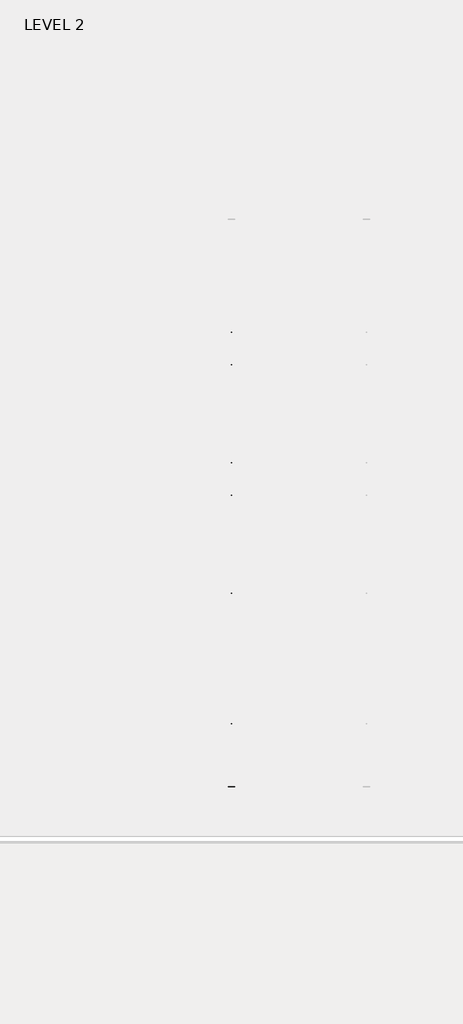
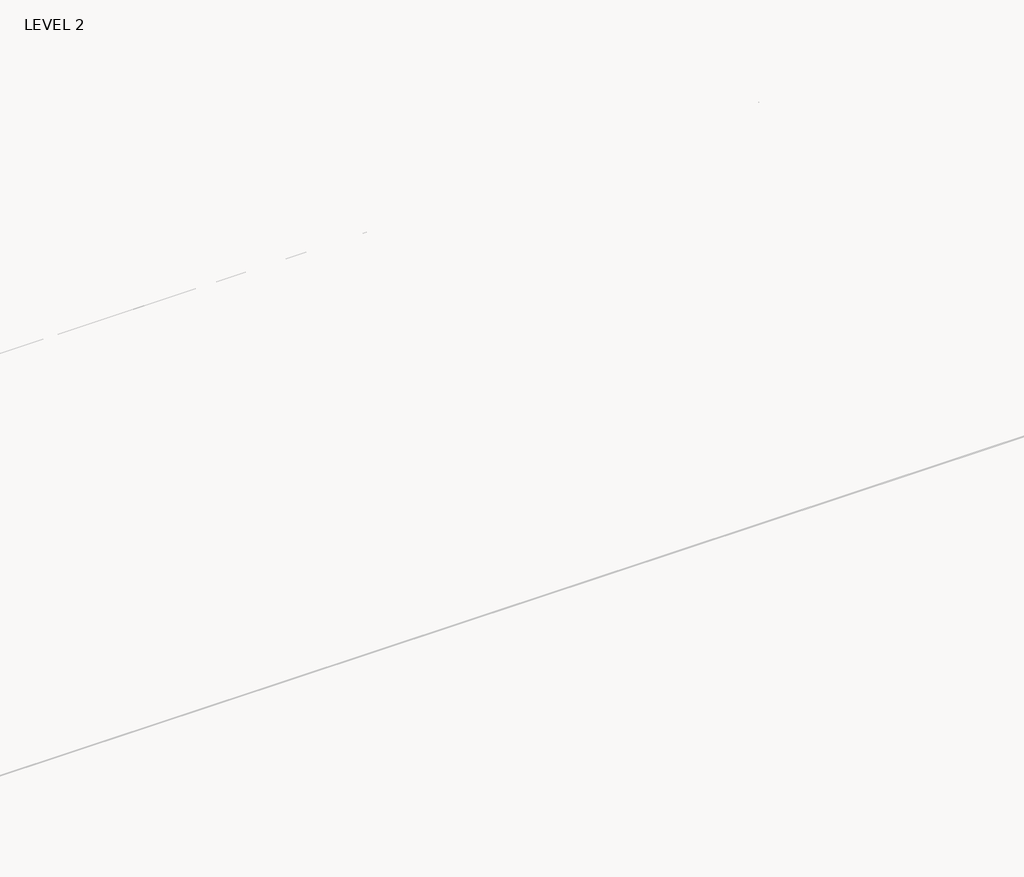
# One storey, part 20 of 67: 1 beam.
"""IFC4 building model written with IfcOpenShell, lengths in millimetres."""

import ifcopenshell
import ifcopenshell.guid

model = None  # the IFC model being written
_history = None  # IfcOwnerHistory: only IFC2X3 demands one
_inside = {}  # id of a spatial element -> (the spatial element, [elements in it])
_under = {}  # id of a project, library or spatial element -> (it, [spatial elements below it])
_declared = {}  # id of a project -> (the project, [libraries it declares])
_typed = {}  # id of a type object -> (the type object, [elements of that type])
_made_of = {}  # id of a material, layer set ... -> (it, [elements and type objects made of it])


def new_model(schema):
    """Start an empty IFC model of exactly this schema.

    Asked for "IFC4X3", IfcOpenShell would pick the latest addendum, in which some entities
    have other attributes; the version numbers below select the first issue.
    IFC2X3 requires an IfcOwnerHistory on every rooted entity: one is made here for all.
    """
    global model, _history
    if schema == "IFC4X3":
        model = ifcopenshell.file(schema_version=(4, 3, 0, 0))
    else:
        model = ifcopenshell.file(schema=schema)
    _inside.clear()
    _under.clear()
    _declared.clear()
    _typed.clear()
    _made_of.clear()
    _history = None
    if model.schema == "IFC2X3":
        org = make("IfcOrganization", Name="unknown")
        user = make(
            "IfcPersonAndOrganization",
            ThePerson=make("IfcPerson", FamilyName="unknown"),
            TheOrganization=org,
        )
        app = make(
            "IfcApplication",
            ApplicationDeveloper=org,
            Version="unknown",
            ApplicationFullName="unknown",
            ApplicationIdentifier="unknown",
        )
        _history = make(
            "IfcOwnerHistory",
            OwningUser=user,
            OwningApplication=app,
            ChangeAction="ADDED",
            CreationDate=0,
        )
    return model


def make(cls, **values):
    """One entity of the class cls with the attributes given. An attribute that is None is left unset."""
    return model.create_entity(
        cls, **{name: value for name, value in values.items() if value is not None}
    )


def rooted(cls, **values):
    """An entity with a GlobalId (a new one), such as an element, a storey or a relation."""
    return make(cls, GlobalId=ifcopenshell.guid.new(), OwnerHistory=_history, **values)


def si_unit(unit_type, name, prefix=None):
    """IfcSIUnit, for example si_unit("LENGTHUNIT", "METRE", prefix="MILLI")."""
    return make("IfcSIUnit", UnitType=unit_type, Prefix=prefix, Name=name)


def assignment(units):
    """IfcUnitAssignment: the units of a project."""
    return None if units is None else make("IfcUnitAssignment", Units=units)


def point(xyz):
    """IfcCartesianPoint."""
    return None if xyz is None else make("IfcCartesianPoint", Coordinates=xyz)


def direction(xyz):
    """IfcDirection."""
    return None if xyz is None else make("IfcDirection", DirectionRatios=xyz)


def frame(location, z_axis=None, x_axis=None):
    """IfcAxis2Placement3D, a coordinate frame: its origin and axes. An axis left out is left unset."""
    return make(
        "IfcAxis2Placement3D",
        Location=point(location),
        Axis=direction(z_axis),
        RefDirection=direction(x_axis),
    )


def origin():
    """The frame at (0, 0, 0) with its axes left unset."""
    return frame((0.0, 0.0, 0.0))


def place(relative_to, where):
    """IfcLocalPlacement: puts the frame where relative to a parent placement (None: the world)."""
    return make(
        "IfcLocalPlacement", PlacementRelTo=relative_to, RelativePlacement=where
    )


def context(
    kind, dimensions, precision=None, world=None, true_north=None, identifier=None
):
    """IfcGeometricRepresentationContext, for example the 3D "Model" context."""
    return make(
        "IfcGeometricRepresentationContext",
        ContextIdentifier=identifier,
        ContextType=kind,
        CoordinateSpaceDimension=dimensions,
        Precision=precision,
        WorldCoordinateSystem=world,
        TrueNorth=true_north,
    )


def project(units=None, contexts=None):
    """IfcProject with its units and contexts."""
    return rooted(
        "IfcProject",
        Name="project",
        RepresentationContexts=contexts,
        UnitsInContext=assignment(units),
    )


def spatial(cls, under=None, at=None, **own):
    """A site, building, storey or space (cls), placed at a placement, below another one or the project."""
    s = rooted(cls, ObjectPlacement=at, **own)
    if under is not None:
        _under.setdefault(under.id(), (under, []))[1].append(s)
    return s


def polyline(points):
    """IfcPolyline through the points."""
    return make("IfcPolyline", Points=[point(p) for p in points])


def outline(outer, holes=None, kind="AREA"):
    """IfcArbitraryClosedProfileDef: a profile drawn as a closed curve; with holes, ...WithVoids."""
    if holes is None:
        return make("IfcArbitraryClosedProfileDef", ProfileType=kind, OuterCurve=outer)
    return make(
        "IfcArbitraryProfileDefWithVoids",
        ProfileType=kind,
        OuterCurve=outer,
        InnerCurves=holes,
    )


def extrude(swept, where, along, depth):
    """IfcExtrudedAreaSolid: the profile swept, set in the frame where, extruded along a direction by depth."""
    return make(
        "IfcExtrudedAreaSolid",
        SweptArea=swept,
        Position=where,
        ExtrudedDirection=direction(along),
        Depth=depth,
    )


def faces_of(points, faces, orient=None, outer=None):
    """IfcFace entities. A face is a list of loops; a loop is a list of indices into points, from 0.

    orient and outer hold one flag for each loop. By default every Orientation is true, the
    first loop of a face is its IfcFaceOuterBound and the others are IfcFaceBound.
    """
    made = []
    for i, loops in enumerate(faces):
        bounds = []
        for j, loop in enumerate(loops):
            is_outer = j == 0 if outer is None else outer[i][j]
            bounds.append(
                make(
                    "IfcFaceOuterBound" if is_outer else "IfcFaceBound",
                    Bound=make("IfcPolyLoop", Polygon=[points[k] for k in loop]),
                    Orientation=True if orient is None else orient[i][j],
                )
            )
        made.append(make("IfcFace", Bounds=bounds))
    return made


def faceted_brep(points, faces, orient=None, outer=None, voids=None):
    """IfcFacetedBrep: a solid bounded by flat faces; with voids (closed shells), ...WithVoids."""
    shared = [point(p) for p in points]
    hull = make("IfcClosedShell", CfsFaces=faces_of(shared, faces, orient, outer))
    if voids is None:
        return make("IfcFacetedBrep", Outer=hull)
    return make(
        "IfcFacetedBrepWithVoids",
        Outer=hull,
        Voids=[
            make(cls, CfsFaces=faces_of(shared, fs, o, b)) for cls, fs, o, b in voids
        ],
    )


def shape(context_of_items, identifier, shape_type, items):
    """IfcShapeRepresentation: the items that make up one representation, for example the "Body"."""
    return make(
        "IfcShapeRepresentation",
        ContextOfItems=context_of_items,
        RepresentationIdentifier=identifier,
        RepresentationType=shape_type,
        Items=items,
    )


def made_of(thing, what):
    """Note that an element or type object is made of a material, layer set ...; save() writes the relation."""
    if what is not None:
        _made_of.setdefault(what.id(), (what, []))[1].append(thing)
    return thing


def element(
    cls,
    number,
    at=None,
    inside=None,
    cuts=None,
    type_object=None,
    material=None,
    context=None,
    identifier="Body",
    shape_type=None,
    held_by="IfcProductDefinitionShape",
    body=None,
    shapes=None,
    **own,
):
    """One element of the class cls, such as IfcWall. Its Tag is "e" and its number.

    at: its placement. inside: the storey or other place that contains it. cuts: it is an
    opening in that element (IfcRelVoidsElement). A single representation is given by context,
    identifier, shape_type and body (its items); several are given by shapes. held_by: the class
    of the entity that holds the representations. save() writes the other relations.
    """
    e = rooted(cls, Tag="e%d" % number, ObjectPlacement=at, **own)
    if body is not None:
        shapes = [shape(context, identifier, shape_type, body)]
    if shapes is not None:
        e.Representation = make(held_by, Representations=shapes)
    if inside is not None:
        _inside.setdefault(inside.id(), (inside, []))[1].append(e)
    if cuts is not None:
        rooted(
            "IfcRelVoidsElement", RelatingBuildingElement=cuts, RelatedOpeningElement=e
        )
    if type_object is not None:
        _typed.setdefault(type_object.id(), (type_object, []))[1].append(e)
    return made_of(e, material)


def aggregate(whole, parts):
    """IfcRelAggregates: a whole, such as a stair, and the parts it consists of."""
    return rooted("IfcRelAggregates", RelatingObject=whole, RelatedObjects=parts)


def save(model, path):
    """Write the relations noted so far, then the file.

    IfcRelAggregates (storeys below a building ...), IfcRelContainedInSpatialStructure (elements
    in a storey), IfcRelDefinesByType, IfcRelAssociatesMaterial and IfcRelDeclares: one each for
    every whole, place, type object, material and project.
    """
    for whole, parts in _under.values():
        aggregate(whole, parts)
    for where, things in _inside.values():
        rooted(
            "IfcRelContainedInSpatialStructure",
            RelatedElements=things,
            RelatingStructure=where,
        )
    for kind, things in _typed.values():
        rooted("IfcRelDefinesByType", RelatedObjects=things, RelatingType=kind)
    for what, things in _made_of.values():
        rooted("IfcRelAssociatesMaterial", RelatedObjects=things, RelatingMaterial=what)
    for by, libraries in _declared.values():
        rooted("IfcRelDeclares", RelatingContext=by, RelatedDefinitions=libraries)
    model.write(path)


model = new_model("IFC4")

# Units and contexts
model_context = context("Model", 3, world=origin())
ifc_project = project(units=[si_unit("LENGTHUNIT", "METRE", prefix="MILLI")], contexts=[model_context])

# Site, building, storey
site = spatial("IfcSite", under=ifc_project)
building = spatial("IfcBuilding", under=site)
storey = spatial("IfcBuildingStorey", under=building, Name="LEVEL 2", Elevation=6908.8)

# Beam
placement = place(None, origin())
element("IfcBeam", 1, ObjectType="K-Series Bar Joist-Angle Web : 12K3", at=placement, inside=storey, context=model_context, shape_type="SolidModel", body=[
    extrude(outline(polyline([(0.0, -9.525), (0.0, 0.0), (573.7533355, 0.0), (573.7533355, -9.525), (0.0, -9.525)])), frame((20271.3014942, -8384.1766652, 6274.5591445), z_axis=(0.0, -0.4795399588502021, 0.8775200441391334), x_axis=(0.0, -0.8775200441391334, -0.4795399588502021)), (0.0, 0.0, 1.0), 9.525),
    extrude(outline(polyline([(0.0, -9.525), (0.0, 0.0), (573.7533355, 0.0), (573.7533355, -9.525), (0.0, -9.525)])), frame((20261.7764942, -14434.5495942, 6173.6090819), z_axis=(0.0, 0.44999846244188924, 0.8930293297534722), x_axis=(0.0, 0.8930293297534722, -0.44999846244188924)), (0.0, 0.0, 1.0), 9.525),
    extrude(outline(polyline([(4.7625, 4.7625), (4.7625, -4.7625), (-4.7625, -4.7625), (-4.7625, 4.7625), (4.7625, 4.7625)])), frame((20266.5389942, -8889.9405266, 6003.6006828), z_axis=(0.0, 0.5448081033822876, 0.8385607494326185), x_axis=(-1.0, 0.0, 0.0)), (0.0, 0.0, 1.0), 321.5751107),
    extrude(outline(polyline([(4.7625, 4.7625), (4.7625, -4.7625), (-4.7625, -4.7625), (-4.7625, 4.7625), (4.7625, 4.7625)])), frame((20266.5389942, -13920.0279199, 5919.6740153), z_axis=(0.0, -0.572479723654856, 0.8199188776970925), x_axis=(-1.0, 0.0, 0.0)), (0.0, 0.0, 1.0), 321.5751107),
    extrude(outline(polyline([(0.0, 0.0), (31.75, 0.0), (31.75, -6.35), (6.35, -6.35), (6.35, -31.75), (0.0, -31.75), (0.0, 0.0)])), frame((20271.3014942, -14021.5078462, 5911.6299458), z_axis=(0.0, 0.9998608355728424, 0.01668261033464117), x_axis=(1.0, 0.0, 0.0)), (0.0, 0.0, 1.0), 5233.9875),
    extrude(outline(polyline([(-9.525, 0.0), (-9.525, -31.75), (-15.875, -31.75), (-15.875, -6.35), (-41.275, -6.35), (-41.275, 0.0), (-9.525, 0.0)])), frame((20271.3014942, -14021.5078462, 5911.6299458), z_axis=(0.0, 0.9998608355728424, 0.01668261033464117), x_axis=(1.0, 0.0, 0.0)), (0.0, 0.0, 1.0), 5233.9875),
    extrude(outline(polyline([(-31.75, 0.0), (0.0, 0.0), (0.0, -6.35), (-25.4, -6.35), (-25.4, -31.75), (-31.75, -31.75), (-31.75, 0.0)])), frame((20303.0514942, -14533.4626646, 6144.4215994), z_axis=(0.0, 0.9998608355728424, 0.01668261033464117), x_axis=(1.0, 0.0, 0.0)), (0.0, 0.0, 1.0), 101.6),
    extrude(outline(polyline([(-41.275, 0.0), (-41.275, -31.75), (-47.625, -31.75), (-47.625, -6.35), (-73.025, -6.35), (-73.025, 0.0), (-41.275, 0.0)])), frame((20303.0514942, -14533.4626646, 6144.4215994), z_axis=(0.0, 0.9998608355728424, 0.01668261033464117), x_axis=(1.0, 0.0, 0.0)), (0.0, 0.0, 1.0), 101.6),
    extrude(outline(polyline([(0.0, 0.0), (31.75, 0.0), (31.75, -6.35), (6.35, -6.35), (6.35, -31.75), (0.0, -31.75), (0.0, 0.0)])), frame((20261.7764942, -8385.9308014, 6246.9927522), z_axis=(0.0, 0.9998608355728424, 0.01668261033464117), x_axis=(0.0, -0.01668261033464117, 0.9998608355728424)), (0.0, 0.0, 1.0), 101.6),
    extrude(outline(polyline([(0.0, 41.275), (6.35, 41.275), (6.35, 15.875), (31.75, 15.875), (31.75, 9.525), (0.0, 9.525), (0.0, 41.275)])), frame((20261.7764942, -8385.9308014, 6246.9927522), z_axis=(0.0, 0.9998608355728424, 0.01668261033464117), x_axis=(0.0, -0.01668261033464117, 0.9998608355728424)), (0.0, 0.0, 1.0), 101.6),
    extrude(outline(polyline([(0.0, 0.0), (31.75, 0.0), (31.75, -6.35), (6.35, -6.35), (6.35, -31.75), (0.0, -31.75), (0.0, 0.0)])), frame((20271.3014942, -14534.5220103, 6207.9127624), z_axis=(0.0, 0.9998608355728424, 0.01668261033464117), x_axis=(0.0, 0.01668261033464117, -0.9998608355728424)), (0.0, 0.0, 1.0), 6249.9875),
    extrude(outline(polyline([(0.0, 9.525), (0.0, 41.275), (6.35, 41.275), (6.35, 15.875), (31.75, 15.875), (31.75, 9.525), (0.0, 9.525)])), frame((20271.3014942, -14534.5220103, 6207.9127624), z_axis=(0.0, 0.9998608355728424, 0.01668261033464117), x_axis=(0.0, 0.01668261033464117, -0.9998608355728424)), (0.0, 0.0, 1.0), 6249.9875),
    faceted_brep([(20266.5389942, -8890.205363, 6019.4734736), (20266.5389942, -8889.8875593, 6000.4261247), (20261.7764942, -8889.8875593, 6000.4261247), (20261.7764942, -8890.205363, 6019.4734736), (20266.5389942, -8891.1511777, 6019.4576927), (20266.5389942, -9062.7600447, 6296.0332984), (20266.5389942, -9080.861579, 6295.7312755), (20266.5389942, -9080.5437753, 6276.6839266), (20266.5389942, -9073.2488443, 6276.805642), (20266.5389942, -8901.6399772, 6000.2300364), (20261.7764942, -8901.6399772, 6000.2300364), (20261.7764942, -8923.0910856, 6034.8019871), (20261.7764942, -8919.0442892, 6037.3129321), (20261.7764942, -9059.4515441, 6263.602064), (20261.7764942, -9063.4983405, 6261.091119), (20261.7764942, -9073.2488443, 6276.805642), (20261.7764942, -9080.5437753, 6276.6839266), (20261.7764942, -9080.861579, 6295.7312755), (20261.7764942, -9062.7600447, 6296.0332984), (20261.7764942, -8891.1511777, 6019.4576927), (20249.0764942, -9063.4983405, 6261.091119), (20249.0764942, -8923.0910856, 6034.8019871), (20249.0764942, -8919.0442892, 6037.3129321), (20249.0764942, -9059.4515441, 6263.602064)], [[[0, 1, 2, 3]], [[1, 0, 4, 5, 6, 7, 8, 9]], [[2, 1, 9, 10]], [[3, 2, 10, 11, 12, 13, 14, 15, 16, 17, 18, 19]], [[0, 3, 19, 4]], [[9, 8, 15, 14, 20, 21, 11, 10]], [[5, 4, 19, 18]], [[7, 6, 17, 16]], [[8, 7, 16, 15]], [[6, 5, 18, 17]], [[21, 22, 12, 11]], [[20, 14, 13, 23]], [[22, 21, 20, 23]], [[12, 22, 23, 13]]]),
    extrude(outline(polyline([(-9249.179516, 5994.4313627), (-9249.4973197, 6013.4787116), (-9248.551505, 6013.4944925), (-9086.2648806, 6295.6411218), (-9068.1633464, 6295.9431446), (-9067.8455427, 6276.8957957), (-9075.1404736, 6276.7740803), (-9237.427098, 5994.627451), (-9249.179516, 5994.4313627)])), frame((20266.5389942, 0.0, 0.0), z_axis=(1.0, 0.0, 0.0), x_axis=(0.0, 1.0, 0.0)), (0.0, 0.0, 1.0), 4.7625),
    extrude(outline(polyline([(-4.7625, 4.7624999), (-4.7625, 0.0), (-17.4625, 0.0), (-17.4625, 4.7624999), (-4.7625, 4.7624999)])), frame((20266.5389942, -9217.14127, 6029.8957797), z_axis=(0.0, 0.4985919043415109, 0.8668368433131496), x_axis=(-1.0, 0.0, 0.0)), (0.0, 0.0, 1.0), 266.3099105),
    faceted_brep([(20266.5389942, -13561.0007997, 5941.541568), (20266.5389942, -13560.682996, 5922.4942191), (20261.7764942, -13560.682996, 5922.4942191), (20261.7764942, -13561.0007997, 5941.541568), (20266.5389942, -13561.9466144, 5941.5257872), (20266.5389942, -13733.5554814, 6218.1013928), (20266.5389942, -13751.6570157, 6217.7993699), (20266.5389942, -13751.3392119, 6198.752021), (20266.5389942, -13744.044281, 6198.8737364), (20266.5389942, -13572.4354139, 5922.2981308), (20261.7764942, -13572.4354139, 5922.2981308), (20261.7764942, -13593.8865223, 5956.8700815), (20261.7764942, -13589.8397259, 5959.3810266), (20261.7764942, -13730.2469807, 6185.6701584), (20261.7764942, -13734.2937772, 6183.1592134), (20261.7764942, -13744.044281, 6198.8737364), (20261.7764942, -13751.3392119, 6198.752021), (20261.7764942, -13751.6570157, 6217.7993699), (20261.7764942, -13733.5554814, 6218.1013928), (20261.7764942, -13561.9466144, 5941.5257872), (20249.0764942, -13734.2937772, 6183.1592134), (20249.0764942, -13593.8865223, 5956.8700815), (20249.0764942, -13589.8397259, 5959.3810266), (20249.0764942, -13730.2469807, 6185.6701584)], [[[0, 1, 2, 3]], [[1, 0, 4, 5, 6, 7, 8, 9]], [[2, 1, 9, 10]], [[3, 2, 10, 11, 12, 13, 14, 15, 16, 17, 18, 19]], [[0, 3, 19, 4]], [[9, 8, 15, 14, 20, 21, 11, 10]], [[5, 4, 19, 18]], [[7, 6, 17, 16]], [[8, 7, 16, 15]], [[6, 5, 18, 17]], [[21, 22, 12, 11]], [[20, 14, 13, 23]], [[22, 21, 20, 23]], [[12, 22, 23, 13]]]),
    extrude(outline(polyline([(-13919.9749526, 5916.4994571), (-13920.2927564, 5935.5468061), (-13919.3469417, 5935.5625869), (-13757.0603173, 6217.7092162), (-13738.9587831, 6218.0112391), (-13738.6409793, 6198.9638902), (-13745.9359103, 6198.8421747), (-13908.2225347, 5916.6955454), (-13919.9749526, 5916.4994571)])), frame((20266.5389942, 0.0, 0.0), z_axis=(1.0, 0.0, 0.0), x_axis=(0.0, 1.0, 0.0)), (0.0, 0.0, 1.0), 4.7625),
    extrude(outline(polyline([(-4.7625, 4.7625), (-4.7625, 0.0), (-17.4625, 0.0), (-17.4625, 4.7625), (-4.7625, 4.7625)])), frame((20266.5389942, -13887.9367066, 5951.9638741), z_axis=(0.0, 0.4985919043415109, 0.8668368433131496), x_axis=(-1.0, 0.0, 0.0)), (0.0, 0.0, 1.0), 266.3099105),
    faceted_brep([(20266.5389942, -9249.4973197, 6013.4787116), (20266.5389942, -9249.179516, 5994.4313627), (20261.7764942, -9249.179516, 5994.4313627), (20261.7764942, -9249.4973197, 6013.4787116), (20266.5389942, -9250.4431344, 6013.4629308), (20266.5389942, -9422.0520014, 6290.0385364), (20266.5389942, -9440.1535357, 6289.7365135), (20266.5389942, -9439.8357319, 6270.6891646), (20266.5389942, -9432.540801, 6270.81088), (20266.5389942, -9260.9319339, 5994.2352744), (20261.7764942, -9260.9319339, 5994.2352744), (20261.7764942, -9282.3830423, 6028.8072251), (20261.7764942, -9278.3362459, 6031.3181702), (20261.7764942, -9418.7435007, 6257.607302), (20261.7764942, -9422.7902972, 6255.096357), (20261.7764942, -9432.540801, 6270.81088), (20261.7764942, -9439.8357319, 6270.6891646), (20261.7764942, -9440.1535357, 6289.7365135), (20261.7764942, -9422.0520014, 6290.0385364), (20261.7764942, -9250.4431344, 6013.4629308), (20249.0764942, -9422.7902972, 6255.096357), (20249.0764942, -9282.3830423, 6028.8072251), (20249.0764942, -9278.3362459, 6031.3181702), (20249.0764942, -9418.7435007, 6257.607302)], [[[0, 1, 2, 3]], [[1, 0, 4, 5, 6, 7, 8, 9]], [[2, 1, 9, 10]], [[3, 2, 10, 11, 12, 13, 14, 15, 16, 17, 18, 19]], [[0, 3, 19, 4]], [[9, 8, 15, 14, 20, 21, 11, 10]], [[5, 4, 19, 18]], [[7, 6, 17, 16]], [[8, 7, 16, 15]], [[6, 5, 18, 17]], [[21, 22, 12, 11]], [[20, 14, 13, 23]], [[22, 21, 20, 23]], [[12, 22, 23, 13]]]),
    extrude(outline(polyline([(-9608.4714726, 5988.4366007), (-9608.7892764, 6007.4839497), (-9607.8434617, 6007.4997305), (-9445.5568373, 6289.6463598), (-9427.455303, 6289.9483827), (-9427.1374993, 6270.9010338), (-9434.4324303, 6270.7793183), (-9596.7190547, 5988.632689), (-9608.4714726, 5988.4366007)])), frame((20266.5389942, 0.0, 0.0), z_axis=(1.0, 0.0, 0.0), x_axis=(0.0, 1.0, 0.0)), (0.0, 0.0, 1.0), 4.7625),
    extrude(outline(polyline([(-4.7625, 4.7625), (-4.7625, 0.0), (-17.4625, 0.0), (-17.4625, 4.7625), (-4.7625, 4.7625)])), frame((20266.5389942, -9576.4332266, 6023.9010177), z_axis=(0.0, 0.4985919043415109, 0.8668368433131496), x_axis=(-1.0, 0.0, 0.0)), (0.0, 0.0, 1.0), 266.3099105),
    faceted_brep([(20266.5389942, -9608.7892764, 6007.4839497), (20266.5389942, -9608.4714726, 5988.4366007), (20261.7764942, -9608.4714726, 5988.4366007), (20261.7764942, -9608.7892764, 6007.4839497), (20266.5389942, -9609.735091, 6007.4681688), (20266.5389942, -9781.3439581, 6284.0437744), (20266.5389942, -9799.4454923, 6283.7417516), (20266.5389942, -9799.1276886, 6264.6944026), (20266.5389942, -9791.8327576, 6264.8161181), (20266.5389942, -9620.2238906, 5988.2405124), (20261.7764942, -9620.2238906, 5988.2405124), (20261.7764942, -9641.674999, 6022.8124632), (20261.7764942, -9637.6282026, 6025.3234082), (20261.7764942, -9778.0354574, 6251.6125401), (20261.7764942, -9782.0822538, 6249.101595), (20261.7764942, -9791.8327576, 6264.8161181), (20261.7764942, -9799.1276886, 6264.6944026), (20261.7764942, -9799.4454923, 6283.7417516), (20261.7764942, -9781.3439581, 6284.0437744), (20261.7764942, -9609.735091, 6007.4681688), (20249.0764942, -9782.0822538, 6249.101595), (20249.0764942, -9641.674999, 6022.8124632), (20249.0764942, -9637.6282026, 6025.3234082), (20249.0764942, -9778.0354574, 6251.6125401)], [[[0, 1, 2, 3]], [[1, 0, 4, 5, 6, 7, 8, 9]], [[2, 1, 9, 10]], [[3, 2, 10, 11, 12, 13, 14, 15, 16, 17, 18, 19]], [[0, 3, 19, 4]], [[9, 8, 15, 14, 20, 21, 11, 10]], [[5, 4, 19, 18]], [[7, 6, 17, 16]], [[8, 7, 16, 15]], [[6, 5, 18, 17]], [[21, 22, 12, 11]], [[20, 14, 13, 23]], [[22, 21, 20, 23]], [[12, 22, 23, 13]]]),
    extrude(outline(polyline([(-9967.7634293, 5982.4418388), (-9968.081233, 6001.4891877), (-9967.1354184, 6001.5049686), (-9804.848794, 6283.6515978), (-9786.7472597, 6283.9536207), (-9786.429456, 6264.9062718), (-9793.724387, 6264.7845564), (-9956.0110113, 5982.6379271), (-9967.7634293, 5982.4418388)])), frame((20266.5389942, 0.0, 0.0), z_axis=(1.0, 0.0, 0.0), x_axis=(0.0, 1.0, 0.0)), (0.0, 0.0, 1.0), 4.7625),
    extrude(outline(polyline([(-4.7625, 4.7625001), (-4.7625, 0.0), (-17.4625, 0.0), (-17.4625, 4.7625001), (-4.7625, 4.7625001)])), frame((20266.5389942, -9935.7251833, 6017.9062557), z_axis=(0.0, 0.4985919043415109, 0.8668368433131496), x_axis=(-1.0, 0.0, 0.0)), (0.0, 0.0, 1.0), 266.3099105),
    faceted_brep([(20266.5389942, -9968.081233, 6001.4891877), (20266.5389942, -9967.7634293, 5982.4418388), (20261.7764942, -9967.7634293, 5982.4418388), (20261.7764942, -9968.081233, 6001.4891877), (20266.5389942, -9969.0270477, 6001.4734068), (20266.5389942, -10140.6359147, 6278.0490125), (20266.5389942, -10158.737449, 6277.7469896), (20266.5389942, -10158.4196453, 6258.6996407), (20266.5389942, -10151.1247143, 6258.8213561), (20266.5389942, -9979.5158472, 5982.2457505), (20261.7764942, -9979.5158472, 5982.2457505), (20261.7764942, -10000.9669556, 6016.8177012), (20261.7764942, -9996.9201592, 6019.3286462), (20261.7764942, -10137.3274141, 6245.6177781), (20261.7764942, -10141.3742105, 6243.1068331), (20261.7764942, -10151.1247143, 6258.8213561), (20261.7764942, -10158.4196453, 6258.6996407), (20261.7764942, -10158.737449, 6277.7469896), (20261.7764942, -10140.6359147, 6278.0490125), (20261.7764942, -9969.0270477, 6001.4734068), (20249.0764942, -10141.3742105, 6243.1068331), (20249.0764942, -10000.9669556, 6016.8177012), (20249.0764942, -9996.9201592, 6019.3286462), (20249.0764942, -10137.3274141, 6245.6177781)], [[[0, 1, 2, 3]], [[1, 0, 4, 5, 6, 7, 8, 9]], [[2, 1, 9, 10]], [[3, 2, 10, 11, 12, 13, 14, 15, 16, 17, 18, 19]], [[0, 3, 19, 4]], [[9, 8, 15, 14, 20, 21, 11, 10]], [[5, 4, 19, 18]], [[7, 6, 17, 16]], [[8, 7, 16, 15]], [[6, 5, 18, 17]], [[21, 22, 12, 11]], [[20, 14, 13, 23]], [[22, 21, 20, 23]], [[12, 22, 23, 13]]]),
    extrude(outline(polyline([(-10327.055386, 5976.4470768), (-10327.3731897, 5995.4944257), (-10326.427375, 5995.5102066), (-10164.1407506, 6277.6568359), (-10146.0392164, 6277.9588587), (-10145.7214127, 6258.9115098), (-10153.0163436, 6258.7897944), (-10315.302968, 5976.6431651), (-10327.055386, 5976.4470768)])), frame((20266.5389942, 0.0, 0.0), z_axis=(1.0, 0.0, 0.0), x_axis=(0.0, 1.0, 0.0)), (0.0, 0.0, 1.0), 4.7625),
    extrude(outline(polyline([(-4.7625, 4.7624999), (-4.7625, 0.0), (-17.4625, 0.0), (-17.4625, 4.7624999), (-4.7625, 4.7624999)])), frame((20266.5389942, -10295.01714, 6011.9114938), z_axis=(0.0, 0.4985919043415109, 0.8668368433131496), x_axis=(-1.0, 0.0, 0.0)), (0.0, 0.0, 1.0), 266.3099105),
    faceted_brep([(20266.5389942, -10327.3731897, 5995.4944257), (20266.5389942, -10327.055386, 5976.4470768), (20261.7764942, -10327.055386, 5976.4470768), (20261.7764942, -10327.3731897, 5995.4944257), (20266.5389942, -10328.3190044, 5995.4786449), (20266.5389942, -10499.9278714, 6272.0542505), (20266.5389942, -10518.0294057, 6271.7522276), (20266.5389942, -10517.7116019, 6252.7048787), (20266.5389942, -10510.416671, 6252.8265941), (20266.5389942, -10338.8078039, 5976.2509885), (20261.7764942, -10338.8078039, 5976.2509885), (20261.7764942, -10360.2589123, 6010.8229392), (20261.7764942, -10356.2121159, 6013.3338843), (20261.7764942, -10496.6193707, 6239.6230161), (20261.7764942, -10500.6661672, 6237.1120711), (20261.7764942, -10510.416671, 6252.8265941), (20261.7764942, -10517.7116019, 6252.7048787), (20261.7764942, -10518.0294057, 6271.7522276), (20261.7764942, -10499.9278714, 6272.0542505), (20261.7764942, -10328.3190044, 5995.4786449), (20249.0764942, -10500.6661672, 6237.1120711), (20249.0764942, -10360.2589123, 6010.8229392), (20249.0764942, -10356.2121159, 6013.3338843), (20249.0764942, -10496.6193707, 6239.6230161)], [[[0, 1, 2, 3]], [[1, 0, 4, 5, 6, 7, 8, 9]], [[2, 1, 9, 10]], [[3, 2, 10, 11, 12, 13, 14, 15, 16, 17, 18, 19]], [[0, 3, 19, 4]], [[9, 8, 15, 14, 20, 21, 11, 10]], [[5, 4, 19, 18]], [[7, 6, 17, 16]], [[8, 7, 16, 15]], [[6, 5, 18, 17]], [[21, 22, 12, 11]], [[20, 14, 13, 23]], [[22, 21, 20, 23]], [[12, 22, 23, 13]]]),
    extrude(outline(polyline([(-10686.3473426, 5970.4523148), (-10686.6651464, 5989.4996638), (-10685.7193317, 5989.5154446), (-10523.4327073, 6271.6620739), (-10505.331173, 6271.9640968), (-10505.0133693, 6252.9167479), (-10512.3083003, 6252.7950324), (-10674.5949247, 5970.6484031), (-10686.3473426, 5970.4523148)])), frame((20266.5389942, 0.0, 0.0), z_axis=(1.0, 0.0, 0.0), x_axis=(0.0, 1.0, 0.0)), (0.0, 0.0, 1.0), 4.7625),
    extrude(outline(polyline([(-4.7625, 4.7625), (-4.7625, 0.0), (-17.4625, 0.0), (-17.4625, 4.7625), (-4.7625, 4.7625)])), frame((20266.5389942, -10654.3090966, 6005.9167318), z_axis=(0.0, 0.4985919043415109, 0.8668368433131496), x_axis=(-1.0, 0.0, 0.0)), (0.0, 0.0, 1.0), 266.3099105),
    faceted_brep([(20266.5389942, -10686.6651464, 5989.4996638), (20266.5389942, -10686.3473426, 5970.4523148), (20261.7764942, -10686.3473426, 5970.4523148), (20261.7764942, -10686.6651464, 5989.4996638), (20266.5389942, -10687.610961, 5989.4838829), (20266.5389942, -10859.2198281, 6266.0594885), (20266.5389942, -10877.3213623, 6265.7574657), (20266.5389942, -10877.0035586, 6246.7101167), (20266.5389942, -10869.7086276, 6246.8318322), (20266.5389942, -10698.0997606, 5970.2562265), (20261.7764942, -10698.0997606, 5970.2562265), (20261.7764942, -10719.550869, 6004.8281773), (20261.7764942, -10715.5040726, 6007.3391223), (20261.7764942, -10855.9113274, 6233.6282542), (20261.7764942, -10859.9581238, 6231.1173091), (20261.7764942, -10869.7086276, 6246.8318322), (20261.7764942, -10877.0035586, 6246.7101167), (20261.7764942, -10877.3213623, 6265.7574657), (20261.7764942, -10859.2198281, 6266.0594885), (20261.7764942, -10687.610961, 5989.4838829), (20249.0764942, -10859.9581238, 6231.1173091), (20249.0764942, -10719.550869, 6004.8281773), (20249.0764942, -10715.5040726, 6007.3391223), (20249.0764942, -10855.9113274, 6233.6282542)], [[[0, 1, 2, 3]], [[1, 0, 4, 5, 6, 7, 8, 9]], [[2, 1, 9, 10]], [[3, 2, 10, 11, 12, 13, 14, 15, 16, 17, 18, 19]], [[0, 3, 19, 4]], [[9, 8, 15, 14, 20, 21, 11, 10]], [[5, 4, 19, 18]], [[7, 6, 17, 16]], [[8, 7, 16, 15]], [[6, 5, 18, 17]], [[21, 22, 12, 11]], [[20, 14, 13, 23]], [[22, 21, 20, 23]], [[12, 22, 23, 13]]]),
    extrude(outline(polyline([(-11045.6392993, 5964.4575529), (-11045.957103, 5983.5049018), (-11045.0112884, 5983.5206826), (-10882.724664, 6265.6673119), (-10864.6231297, 6265.9693348), (-10864.305326, 6246.9219859), (-10871.600257, 6246.8002705), (-11033.8868813, 5964.6536412), (-11045.6392993, 5964.4575529)])), frame((20266.5389942, 0.0, 0.0), z_axis=(1.0, 0.0, 0.0), x_axis=(0.0, 1.0, 0.0)), (0.0, 0.0, 1.0), 4.7625),
    extrude(outline(polyline([(-4.7625, 4.7625001), (-4.7625, 0.0), (-17.4625, 0.0), (-17.4625, 4.7625001), (-4.7625, 4.7625001)])), frame((20266.5389942, -11013.6010533, 5999.9219698), z_axis=(0.0, 0.4985919043415109, 0.8668368433131496), x_axis=(-1.0, 0.0, 0.0)), (0.0, 0.0, 1.0), 266.3099105),
    faceted_brep([(20266.5389942, -11045.957103, 5983.5049018), (20266.5389942, -11045.6392993, 5964.4575529), (20261.7764942, -11045.6392993, 5964.4575529), (20261.7764942, -11045.957103, 5983.5049018), (20266.5389942, -11046.9029177, 5983.4891209), (20266.5389942, -11218.5117847, 6260.0647266), (20266.5389942, -11236.613319, 6259.7627037), (20266.5389942, -11236.2955153, 6240.7153548), (20266.5389942, -11229.0005843, 6240.8370702), (20266.5389942, -11057.3917173, 5964.2614646), (20261.7764942, -11057.3917173, 5964.2614646), (20261.7764942, -11078.8428256, 5998.8334153), (20261.7764942, -11074.7960292, 6001.3443603), (20261.7764942, -11215.2032841, 6227.6334922), (20261.7764942, -11219.2500805, 6225.1225472), (20261.7764942, -11229.0005843, 6240.8370702), (20261.7764942, -11236.2955153, 6240.7153548), (20261.7764942, -11236.613319, 6259.7627037), (20261.7764942, -11218.5117847, 6260.0647266), (20261.7764942, -11046.9029177, 5983.4891209), (20249.0764942, -11219.2500805, 6225.1225472), (20249.0764942, -11078.8428256, 5998.8334153), (20249.0764942, -11074.7960292, 6001.3443603), (20249.0764942, -11215.2032841, 6227.6334922)], [[[0, 1, 2, 3]], [[1, 0, 4, 5, 6, 7, 8, 9]], [[2, 1, 9, 10]], [[3, 2, 10, 11, 12, 13, 14, 15, 16, 17, 18, 19]], [[0, 3, 19, 4]], [[9, 8, 15, 14, 20, 21, 11, 10]], [[5, 4, 19, 18]], [[7, 6, 17, 16]], [[8, 7, 16, 15]], [[6, 5, 18, 17]], [[21, 22, 12, 11]], [[20, 14, 13, 23]], [[22, 21, 20, 23]], [[12, 22, 23, 13]]]),
    extrude(outline(polyline([(-11404.931256, 5958.4627909), (-11405.2490597, 5977.5101398), (-11404.303245, 5977.5259207), (-11242.0166206, 6259.67255), (-11223.9150864, 6259.9745728), (-11223.5972827, 6240.9272239), (-11230.8922136, 6240.8055085), (-11393.178838, 5958.6588792), (-11404.931256, 5958.4627909)])), frame((20266.5389942, 0.0, 0.0), z_axis=(1.0, 0.0, 0.0), x_axis=(0.0, 1.0, 0.0)), (0.0, 0.0, 1.0), 4.7625),
    extrude(outline(polyline([(-4.7625, 4.7624999), (-4.7625, 0.0), (-17.4625, 0.0), (-17.4625, 4.7624999), (-4.7625, 4.7624999)])), frame((20266.5389942, -11372.89301, 5993.9272079), z_axis=(0.0, 0.4985919043415109, 0.8668368433131496), x_axis=(-1.0, 0.0, 0.0)), (0.0, 0.0, 1.0), 266.3099105),
    faceted_brep([(20266.5389942, -11405.2490597, 5977.5101398), (20266.5389942, -11404.931256, 5958.4627909), (20261.7764942, -11404.931256, 5958.4627909), (20261.7764942, -11405.2490597, 5977.5101398), (20266.5389942, -11406.1948744, 5977.494359), (20266.5389942, -11577.8037414, 6254.0699646), (20266.5389942, -11595.9052757, 6253.7679417), (20266.5389942, -11595.5874719, 6234.7205928), (20266.5389942, -11588.292541, 6234.8423082), (20266.5389942, -11416.6836739, 5958.2667026), (20261.7764942, -11416.6836739, 5958.2667026), (20261.7764942, -11438.1347823, 5992.8386533), (20261.7764942, -11434.0879859, 5995.3495984), (20261.7764942, -11574.4952407, 6221.6387302), (20261.7764942, -11578.5420372, 6219.1277852), (20261.7764942, -11588.292541, 6234.8423082), (20261.7764942, -11595.5874719, 6234.7205928), (20261.7764942, -11595.9052757, 6253.7679417), (20261.7764942, -11577.8037414, 6254.0699646), (20261.7764942, -11406.1948744, 5977.494359), (20249.0764942, -11578.5420372, 6219.1277852), (20249.0764942, -11438.1347823, 5992.8386533), (20249.0764942, -11434.0879859, 5995.3495984), (20249.0764942, -11574.4952407, 6221.6387302)], [[[0, 1, 2, 3]], [[1, 0, 4, 5, 6, 7, 8, 9]], [[2, 1, 9, 10]], [[3, 2, 10, 11, 12, 13, 14, 15, 16, 17, 18, 19]], [[0, 3, 19, 4]], [[9, 8, 15, 14, 20, 21, 11, 10]], [[5, 4, 19, 18]], [[7, 6, 17, 16]], [[8, 7, 16, 15]], [[6, 5, 18, 17]], [[21, 22, 12, 11]], [[20, 14, 13, 23]], [[22, 21, 20, 23]], [[12, 22, 23, 13]]]),
    extrude(outline(polyline([(-11764.2232126, 5952.4680289), (-11764.5410164, 5971.5153779), (-11763.5952017, 5971.5311587), (-11601.3085773, 6253.677788), (-11583.207043, 6253.9798109), (-11582.8892393, 6234.932462), (-11590.1841703, 6234.8107465), (-11752.4707947, 5952.6641172), (-11764.2232126, 5952.4680289)])), frame((20266.5389942, 0.0, 0.0), z_axis=(1.0, 0.0, 0.0), x_axis=(0.0, 1.0, 0.0)), (0.0, 0.0, 1.0), 4.7625),
    extrude(outline(polyline([(-4.7625, 4.7625), (-4.7625, 0.0), (-17.4625, 0.0), (-17.4625, 4.7625), (-4.7625, 4.7625)])), frame((20266.5389942, -11732.1849666, 5987.9324459), z_axis=(0.0, 0.4985919043415109, 0.8668368433131496), x_axis=(-1.0, 0.0, 0.0)), (0.0, 0.0, 1.0), 266.3099105),
    faceted_brep([(20266.5389942, -11764.5410164, 5971.5153779), (20266.5389942, -11764.2232126, 5952.4680289), (20261.7764942, -11764.2232126, 5952.4680289), (20261.7764942, -11764.5410164, 5971.5153779), (20266.5389942, -11765.486831, 5971.499597), (20266.5389942, -11937.0956981, 6248.0752026), (20266.5389942, -11955.1972323, 6247.7731798), (20266.5389942, -11954.8794286, 6228.7258308), (20266.5389942, -11947.5844976, 6228.8475463), (20266.5389942, -11775.9756306, 5952.2719406), (20261.7764942, -11775.9756306, 5952.2719406), (20261.7764942, -11797.426739, 5986.8438913), (20261.7764942, -11793.3799426, 5989.3548364), (20261.7764942, -11933.7871974, 6215.6439683), (20261.7764942, -11937.8339938, 6213.1330232), (20261.7764942, -11947.5844976, 6228.8475463), (20261.7764942, -11954.8794286, 6228.7258308), (20261.7764942, -11955.1972323, 6247.7731798), (20261.7764942, -11937.0956981, 6248.0752026), (20261.7764942, -11765.486831, 5971.499597), (20249.0764942, -11937.8339938, 6213.1330232), (20249.0764942, -11797.426739, 5986.8438913), (20249.0764942, -11793.3799426, 5989.3548364), (20249.0764942, -11933.7871974, 6215.6439683)], [[[0, 1, 2, 3]], [[1, 0, 4, 5, 6, 7, 8, 9]], [[2, 1, 9, 10]], [[3, 2, 10, 11, 12, 13, 14, 15, 16, 17, 18, 19]], [[0, 3, 19, 4]], [[9, 8, 15, 14, 20, 21, 11, 10]], [[5, 4, 19, 18]], [[7, 6, 17, 16]], [[8, 7, 16, 15]], [[6, 5, 18, 17]], [[21, 22, 12, 11]], [[20, 14, 13, 23]], [[22, 21, 20, 23]], [[12, 22, 23, 13]]]),
    extrude(outline(polyline([(-12123.5151693, 5946.473267), (-12123.832973, 5965.5206159), (-12122.8871584, 5965.5363967), (-11960.600534, 6247.683026), (-11942.4989997, 6247.9850489), (-11942.181196, 6228.9377), (-11949.476127, 6228.8159846), (-12111.7627514, 5946.6693553), (-12123.5151693, 5946.473267)])), frame((20266.5389942, 0.0, 0.0), z_axis=(1.0, 0.0, 0.0), x_axis=(0.0, 1.0, 0.0)), (0.0, 0.0, 1.0), 4.7625),
    extrude(outline(polyline([(-4.7625, 4.7625001), (-4.7625, 0.0), (-17.4625, 0.0), (-17.4625, 4.7625001), (-4.7625, 4.7625001)])), frame((20266.5389942, -12091.4769233, 5981.9376839), z_axis=(0.0, 0.4985919043415109, 0.8668368433131496), x_axis=(-1.0, 0.0, 0.0)), (0.0, 0.0, 1.0), 266.3099105),
    faceted_brep([(20266.5389942, -12123.832973, 5965.5206159), (20266.5389942, -12123.5151693, 5946.473267), (20261.7764942, -12123.5151693, 5946.473267), (20261.7764942, -12123.832973, 5965.5206159), (20266.5389942, -12124.7787877, 5965.504835), (20266.5389942, -12296.3876547, 6242.0804407), (20266.5389942, -12314.489189, 6241.7784178), (20266.5389942, -12314.1713853, 6222.7310689), (20266.5389942, -12306.8764543, 6222.8527843), (20266.5389942, -12135.2675873, 5946.2771787), (20261.7764942, -12135.2675873, 5946.2771787), (20261.7764942, -12156.7186956, 5980.8491294), (20261.7764942, -12152.6718992, 5983.3600744), (20261.7764942, -12293.0791541, 6209.6492063), (20261.7764942, -12297.1259505, 6207.1382613), (20261.7764942, -12306.8764543, 6222.8527843), (20261.7764942, -12314.1713853, 6222.7310689), (20261.7764942, -12314.489189, 6241.7784178), (20261.7764942, -12296.3876547, 6242.0804407), (20261.7764942, -12124.7787877, 5965.504835), (20249.0764942, -12297.1259505, 6207.1382613), (20249.0764942, -12156.7186956, 5980.8491294), (20249.0764942, -12152.6718992, 5983.3600744), (20249.0764942, -12293.0791541, 6209.6492063)], [[[0, 1, 2, 3]], [[1, 0, 4, 5, 6, 7, 8, 9]], [[2, 1, 9, 10]], [[3, 2, 10, 11, 12, 13, 14, 15, 16, 17, 18, 19]], [[0, 3, 19, 4]], [[9, 8, 15, 14, 20, 21, 11, 10]], [[5, 4, 19, 18]], [[7, 6, 17, 16]], [[8, 7, 16, 15]], [[6, 5, 18, 17]], [[21, 22, 12, 11]], [[20, 14, 13, 23]], [[22, 21, 20, 23]], [[12, 22, 23, 13]]]),
    extrude(outline(polyline([(-12482.807126, 5940.478505), (-12483.1249297, 5959.5258539), (-12482.179115, 5959.5416348), (-12319.8924906, 6241.6882641), (-12301.7909564, 6241.9902869), (-12301.4731527, 6222.942938), (-12308.7680836, 6222.8212226), (-12471.054708, 5940.6745933), (-12482.807126, 5940.478505)])), frame((20266.5389942, 0.0, 0.0), z_axis=(1.0, 0.0, 0.0), x_axis=(0.0, 1.0, 0.0)), (0.0, 0.0, 1.0), 4.7625),
    extrude(outline(polyline([(-4.7625, 4.7624999), (-4.7625, 0.0), (-17.4625, 0.0), (-17.4625, 4.7624999), (-4.7625, 4.7624999)])), frame((20266.5389942, -12450.76888, 5975.942922), z_axis=(0.0, 0.4985919043415109, 0.8668368433131496), x_axis=(-1.0, 0.0, 0.0)), (0.0, 0.0, 1.0), 266.3099105),
    faceted_brep([(20266.5389942, -12483.1249297, 5959.5258539), (20266.5389942, -12482.807126, 5940.478505), (20261.7764942, -12482.807126, 5940.478505), (20261.7764942, -12483.1249297, 5959.5258539), (20266.5389942, -12484.0707444, 5959.5100731), (20266.5389942, -12655.6796114, 6236.0856787), (20266.5389942, -12673.7811457, 6235.7836558), (20266.5389942, -12673.4633419, 6216.7363069), (20266.5389942, -12666.168411, 6216.8580223), (20266.5389942, -12494.5595439, 5940.2824167), (20261.7764942, -12494.5595439, 5940.2824167), (20261.7764942, -12516.0106523, 5974.8543674), (20261.7764942, -12511.9638559, 5977.3653125), (20261.7764942, -12652.3711107, 6203.6544443), (20261.7764942, -12656.4179072, 6201.1434993), (20261.7764942, -12666.168411, 6216.8580223), (20261.7764942, -12673.4633419, 6216.7363069), (20261.7764942, -12673.7811457, 6235.7836558), (20261.7764942, -12655.6796114, 6236.0856787), (20261.7764942, -12484.0707444, 5959.5100731), (20249.0764942, -12656.4179072, 6201.1434993), (20249.0764942, -12516.0106523, 5974.8543674), (20249.0764942, -12511.9638559, 5977.3653125), (20249.0764942, -12652.3711107, 6203.6544443)], [[[0, 1, 2, 3]], [[1, 0, 4, 5, 6, 7, 8, 9]], [[2, 1, 9, 10]], [[3, 2, 10, 11, 12, 13, 14, 15, 16, 17, 18, 19]], [[0, 3, 19, 4]], [[9, 8, 15, 14, 20, 21, 11, 10]], [[5, 4, 19, 18]], [[7, 6, 17, 16]], [[8, 7, 16, 15]], [[6, 5, 18, 17]], [[21, 22, 12, 11]], [[20, 14, 13, 23]], [[22, 21, 20, 23]], [[12, 22, 23, 13]]]),
    extrude(outline(polyline([(-12842.0990826, 5934.483743), (-12842.4168864, 5953.531092), (-12841.4710717, 5953.5468728), (-12679.1844473, 6235.6935021), (-12661.0829131, 6235.995525), (-12660.7651093, 6216.9481761), (-12668.0600403, 6216.8264606), (-12830.3466647, 5934.6798313), (-12842.0990826, 5934.483743)])), frame((20266.5389942, 0.0, 0.0), z_axis=(1.0, 0.0, 0.0), x_axis=(0.0, 1.0, 0.0)), (0.0, 0.0, 1.0), 4.7625),
    extrude(outline(polyline([(-4.7625, 4.7625), (-4.7625, 0.0), (-17.4625, 0.0), (-17.4625, 4.7625), (-4.7625, 4.7625)])), frame((20266.5389942, -12810.0608366, 5969.94816), z_axis=(0.0, 0.4985919043415109, 0.8668368433131496), x_axis=(-1.0, 0.0, 0.0)), (0.0, 0.0, 1.0), 266.3099105),
    faceted_brep([(20266.5389942, -12842.4168864, 5953.531092), (20266.5389942, -12842.0990826, 5934.483743), (20261.7764942, -12842.0990826, 5934.483743), (20261.7764942, -12842.4168864, 5953.531092), (20266.5389942, -12843.362701, 5953.5153111), (20266.5389942, -13014.9715681, 6230.0909167), (20266.5389942, -13033.0731023, 6229.7888939), (20266.5389942, -13032.7552986, 6210.7415449), (20266.5389942, -13025.4603676, 6210.8632604), (20266.5389942, -12853.8515006, 5934.2876547), (20261.7764942, -12853.8515006, 5934.2876547), (20261.7764942, -12875.302609, 5968.8596054), (20261.7764942, -12871.2558126, 5971.3705505), (20261.7764942, -13011.6630674, 6197.6596824), (20261.7764942, -13015.7098638, 6195.1487373), (20261.7764942, -13025.4603676, 6210.8632604), (20261.7764942, -13032.7552986, 6210.7415449), (20261.7764942, -13033.0731023, 6229.7888939), (20261.7764942, -13014.9715681, 6230.0909167), (20261.7764942, -12843.362701, 5953.5153111), (20249.0764942, -13015.7098638, 6195.1487373), (20249.0764942, -12875.302609, 5968.8596054), (20249.0764942, -12871.2558126, 5971.3705505), (20249.0764942, -13011.6630674, 6197.6596824)], [[[0, 1, 2, 3]], [[1, 0, 4, 5, 6, 7, 8, 9]], [[2, 1, 9, 10]], [[3, 2, 10, 11, 12, 13, 14, 15, 16, 17, 18, 19]], [[0, 3, 19, 4]], [[9, 8, 15, 14, 20, 21, 11, 10]], [[5, 4, 19, 18]], [[7, 6, 17, 16]], [[8, 7, 16, 15]], [[6, 5, 18, 17]], [[21, 22, 12, 11]], [[20, 14, 13, 23]], [[22, 21, 20, 23]], [[12, 22, 23, 13]]]),
    extrude(outline(polyline([(-13201.3910393, 5928.4889811), (-13201.708843, 5947.53633), (-13200.7630284, 5947.5521108), (-13038.476404, 6229.6987401), (-13020.3748697, 6230.000763), (-13020.057066, 6210.9534141), (-13027.351997, 6210.8316987), (-13189.6386214, 5928.6850694), (-13201.3910393, 5928.4889811)])), frame((20266.5389942, 0.0, 0.0), z_axis=(1.0, 0.0, 0.0), x_axis=(0.0, 1.0, 0.0)), (0.0, 0.0, 1.0), 4.7625),
    extrude(outline(polyline([(-4.7625, 4.7625001), (-4.7625, 0.0), (-17.4625, 0.0), (-17.4625, 4.7625001), (-4.7625, 4.7625001)])), frame((20266.5389942, -13169.3527933, 5963.953398), z_axis=(0.0, 0.4985919043415109, 0.8668368433131496), x_axis=(-1.0, 0.0, 0.0)), (0.0, 0.0, 1.0), 266.3099105),
    faceted_brep([(20266.5389942, -13201.708843, 5947.53633), (20266.5389942, -13201.3910393, 5928.4889811), (20261.7764942, -13201.3910393, 5928.4889811), (20261.7764942, -13201.708843, 5947.53633), (20266.5389942, -13202.6546577, 5947.5205491), (20266.5389942, -13374.2635247, 6224.0961548), (20266.5389942, -13392.365059, 6223.7941319), (20266.5389942, -13392.0472553, 6204.746783), (20266.5389942, -13384.7523243, 6204.8684984), (20266.5389942, -13213.1434573, 5928.2928928), (20261.7764942, -13213.1434573, 5928.2928928), (20261.7764942, -13234.5945656, 5962.8648435), (20261.7764942, -13230.5477692, 5965.3757885), (20261.7764942, -13370.9550241, 6191.6649204), (20261.7764942, -13375.0018205, 6189.1539754), (20261.7764942, -13384.7523243, 6204.8684984), (20261.7764942, -13392.0472553, 6204.746783), (20261.7764942, -13392.365059, 6223.7941319), (20261.7764942, -13374.2635247, 6224.0961548), (20261.7764942, -13202.6546577, 5947.5205491), (20249.0764942, -13375.0018205, 6189.1539754), (20249.0764942, -13234.5945656, 5962.8648435), (20249.0764942, -13230.5477692, 5965.3757885), (20249.0764942, -13370.9550241, 6191.6649204)], [[[0, 1, 2, 3]], [[1, 0, 4, 5, 6, 7, 8, 9]], [[2, 1, 9, 10]], [[3, 2, 10, 11, 12, 13, 14, 15, 16, 17, 18, 19]], [[0, 3, 19, 4]], [[9, 8, 15, 14, 20, 21, 11, 10]], [[5, 4, 19, 18]], [[7, 6, 17, 16]], [[8, 7, 16, 15]], [[6, 5, 18, 17]], [[21, 22, 12, 11]], [[20, 14, 13, 23]], [[22, 21, 20, 23]], [[12, 22, 23, 13]]]),
    extrude(outline(polyline([(-13560.682996, 5922.4942191), (-13561.0007997, 5941.541568), (-13560.054985, 5941.5573489), (-13397.7683606, 6223.7039782), (-13379.6668264, 6224.006001), (-13379.3490227, 6204.9586521), (-13386.6439536, 6204.8369367), (-13548.930578, 5922.6903074), (-13560.682996, 5922.4942191)])), frame((20266.5389942, 0.0, 0.0), z_axis=(1.0, 0.0, 0.0), x_axis=(0.0, 1.0, 0.0)), (0.0, 0.0, 1.0), 4.7625),
    extrude(outline(polyline([(-4.7625, 4.7624999), (-4.7625, 0.0), (-17.4625, 0.0), (-17.4625, 4.7624999), (-4.7625, 4.7624999)])), frame((20266.5389942, -13528.64475, 5957.9586361), z_axis=(0.0, 0.4985919043415109, 0.8668368433131496), x_axis=(-1.0, 0.0, 0.0)), (0.0, 0.0, 1.0), 266.3099105),
])

save(model, "model.ifc")
